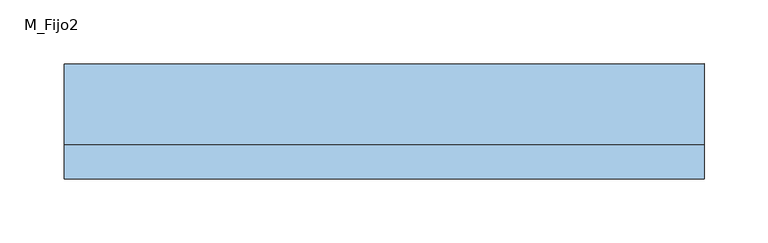
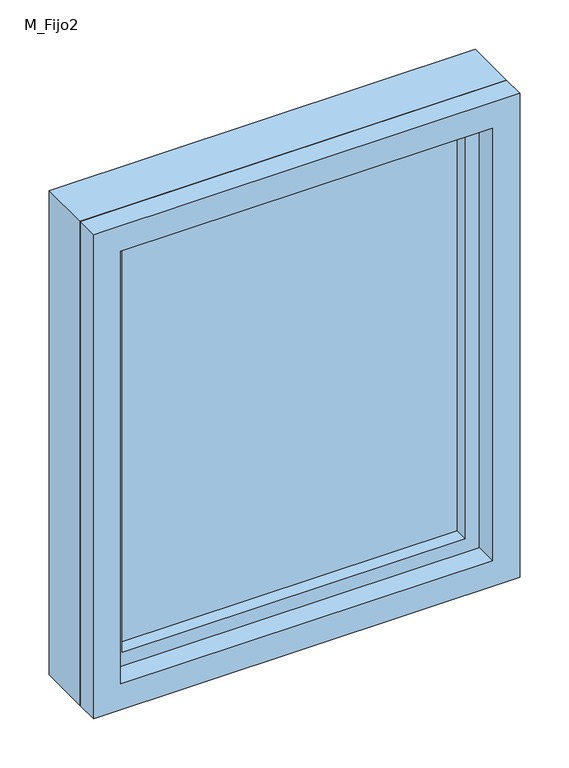
"""IFC4 building model written with IfcOpenShell, lengths in millimetres: window geometry, M_Fijo2."""

from ifc_helpers import new_model, si_unit, frame, origin, place, context, project, spatial, polyline, outline, extrude, source, transform, mapped, element, save


def m_fijo2_beb70899(model_context):
    return source(origin(), model_context, "Body", "SweptSolid", [
        extrude(outline(polyline([(-201.0, 23.0), (201.0, 23.0), (201.0, 11.0), (-201.0, 11.0), (-201.0, 23.0)])), frame((0.0, 0.0, 1449.0), z_axis=(0.0, 0.0, 1.0), x_axis=(1.0, 0.0, 0.0)), (0.0, 0.0, 1.0), 502.0),
        extrude(outline(polyline([(1981.0, -231.0), (1419.0, -231.0), (1419.0, 231.0), (1981.0, 231.0), (1981.0, -231.0)]), holes=[polyline([(1951.0, -201.0), (1951.0, 201.0), (1449.0, 201.0), (1449.0, -201.0), (1951.0, -201.0)])]), frame((0.0, -5.0, 0.0), z_axis=(0.0, 1.0, 0.0), x_axis=(0.0, 0.0, 1.0)), (0.0, 0.0, 1.0), 44.0),
        extrude(outline(polyline([(2000.0, -250.0), (1400.0, -250.0), (1400.0, 250.0), (2000.0, 250.0), (2000.0, -250.0)]), holes=[polyline([(1981.0, -231.0), (1981.0, 231.0), (1419.0, 231.0), (1419.0, -231.0), (1981.0, -231.0)])]), frame((0.0, -5.0, 0.0), z_axis=(0.0, 1.0, 0.0), x_axis=(0.0, 0.0, 1.0)), (0.0, 0.0, 1.0), 63.0),
        extrude(outline(polyline([(2000.0, -250.0), (1400.0, -250.0), (1400.0, 250.0), (2000.0, 250.0), (2000.0, -250.0)]), holes=[polyline([(1968.0, -218.0), (1968.0, 218.0), (1432.0, 218.0), (1432.0, -218.0), (1968.0, -218.0)])]), frame((0.0, -32.0, 0.0), z_axis=(0.0, 1.0, 0.0), x_axis=(0.0, 0.0, 1.0)), (0.0, 0.0, 1.0), 27.0),
    ])


if __name__ == "__main__":
    model = new_model("IFC4")
    model_context = context("Model", 3, world=origin())
    ifc_project = project(units=[si_unit("LENGTHUNIT", "METRE", prefix="MILLI")], contexts=[model_context])
    site = spatial("IfcSite", under=ifc_project)
    building = spatial("IfcBuilding", under=site)
    placement = place(None, origin())
    m_fijo2_shape = m_fijo2_beb70899(model_context)
    element("IfcWindow", 1, ObjectType="M_Fijo2", at=placement, inside=building, context=model_context, shape_type="MappedRepresentation", body=[
        mapped(m_fijo2_shape, transform((0.0, 0.0, 0.0), x_axis=(1.0, 0.0, 0.0), y_axis=(0.0, 1.0, 0.0), z_axis=(0.0, 0.0, 1.0))),
    ])
    save(model, "model.ifc")
